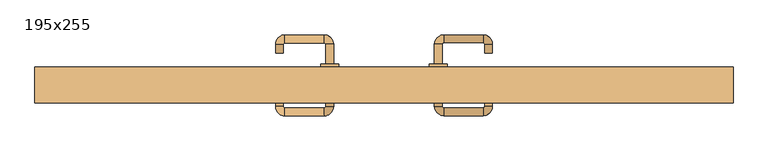
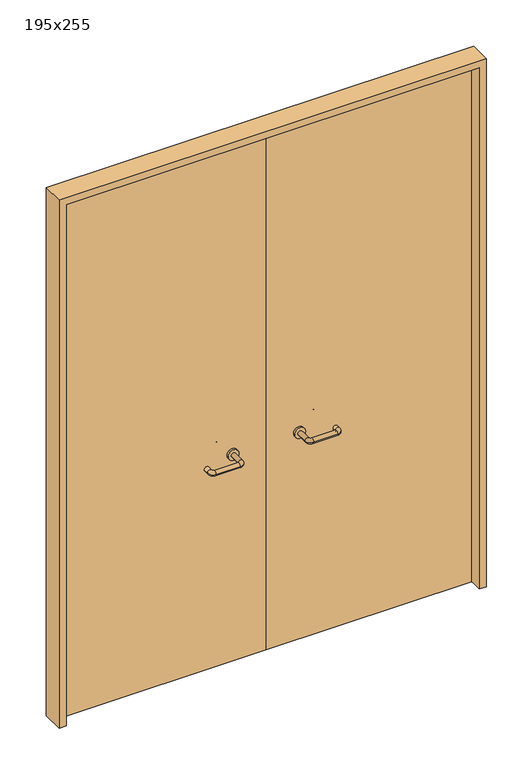
"""IFC4 building model written with IfcOpenShell, lengths in millimetres: door geometry, 195x255."""

from ifc_helpers import new_model, si_unit, point, frame, frame_2d, origin, place, context, project, spatial, polyline, circle_curve, ellipse_curve, trimmed, segment, composite_curve, outline, extrude, source, transform, mapped, element, save
from ifc_brep_helpers import plane_surface, cylinder_surface, revolved_surface, advanced_brep


def door_195x255_3ec5ba21(model_context):
    return source(origin(), model_context, "Body", "SolidModel", [
        extrude(outline(polyline([(2550.0, -975.0), (0.0, -975.0), (0.0, -943.0), (2518.0, -943.0), (2518.0, 943.0), (0.0, 943.0), (0.0, 975.0), (2550.0, 975.0), (2550.0, -975.0)])), frame((0.0, 100.0, 0.0), z_axis=(0.0, 1.0, 0.0), x_axis=(0.0, 0.0, 1.0)), (0.0, 0.0, 1.0), 100.0),
        advanced_brep(
        [(140.99898, 146.0, 1003.0), (162.99898, 146.0, 1003.0), (140.99898, 90.6474631, 1003.0), (162.99898, 90.6474631, 1003.0), (166.99898, 86.6474631, 1003.0), (166.99898, 64.6474631, 1003.0), (276.99898, 64.6474631, 1003.0), (276.99898, 86.6474631, 1003.0), (280.99898, 90.6474631, 1003.0), (302.99898, 90.6474631, 1003.0), (302.99898, 108.0, 1003.0), (280.99898, 108.0, 1003.0)],
        [
            (0, 1, circle_curve(frame((151.99898, 146.0, 1003.0), z_axis=(0.0, 1.0, 0.0), x_axis=(1.0, 0.0, 0.0)), 11.0)),
            (1, 0, circle_curve(frame((151.99898, 146.0, 1003.0), z_axis=(0.0, 1.0, 0.0), x_axis=(1.0, 0.0, 0.0)), 11.0)),
            (0, 2),
            (2, 3, circle_curve(frame((151.99898, 90.6474631, 1003.0), z_axis=(0.0, 1.0, 0.0), x_axis=(1.0, 0.0, 0.0)), 11.0)),
            (3, 1),
            (3, 2, circle_curve(frame((151.99898, 90.6474631, 1003.0), z_axis=(0.0, 1.0, 0.0), x_axis=(1.0, 0.0, 0.0)), 11.0)),
            (4, 3, circle_curve(frame((166.99898, 90.6474631, 1003.0), z_axis=(0.0, 0.0, -1.0), x_axis=(-1.0, 0.0, 0.0)), 4.0)),
            (2, 5, circle_curve(frame((166.99898, 90.6474631, 1003.0), z_axis=(0.0, 0.0, 1.0), x_axis=(-1.0, 0.0, 0.0)), 26.0)),
            (5, 4, circle_curve(frame((166.99898, 75.6474631, 1003.0), z_axis=(-1.0, 0.0, 0.0), x_axis=(0.0, 1.0, 0.0)), 11.0)),
            (4, 5, circle_curve(frame((166.99898, 75.6474631, 1003.0), z_axis=(-1.0, 0.0, 0.0), x_axis=(0.0, 1.0, 0.0)), 11.0)),
            (5, 6),
            (6, 7, circle_curve(frame((276.99898, 75.6474631, 1003.0), z_axis=(-1.0, 0.0, 0.0), x_axis=(0.0, 1.0, 0.0)), 11.0)),
            (7, 4),
            (7, 6, circle_curve(frame((276.99898, 75.6474631, 1003.0), z_axis=(-1.0, 0.0, 0.0), x_axis=(0.0, 1.0, 0.0)), 11.0)),
            (8, 7, circle_curve(frame((276.99898, 90.6474631, 1003.0), z_axis=(0.0, 0.0, -1.0), x_axis=(0.0, -1.0, 0.0)), 4.0)),
            (6, 9, circle_curve(frame((276.99898, 90.6474631, 1003.0), z_axis=(0.0, 0.0, 1.0), x_axis=(0.0, -1.0, 0.0)), 26.0)),
            (9, 8, circle_curve(frame((291.99898, 90.6474631, 1003.0), z_axis=(0.0, -1.0, 0.0), x_axis=(-1.0, 0.0, 0.0)), 11.0)),
            (8, 9, circle_curve(frame((291.99898, 90.6474631, 1003.0), z_axis=(0.0, -1.0, 0.0), x_axis=(-1.0, 0.0, 0.0)), 11.0)),
            (10, 11, circle_curve(frame((291.99898, 108.0, 1003.0), z_axis=(0.0, 1.0, 0.0), x_axis=(-1.0, 0.0, 0.0)), 11.0)),
            (11, 10, circle_curve(frame((291.99898, 108.0, 1003.0), z_axis=(0.0, 1.0, 0.0), x_axis=(-1.0, 0.0, 0.0)), 11.0)),
            (9, 10),
            (11, 8),
        ],
        [
            plane_surface(frame((140.99898, 146.0, 1003.0), z_axis=(0.0, 1.0, 0.0), x_axis=(0.0, 0.0, -1.0))),
            cylinder_surface(frame((151.99898, 146.0, 1003.0), z_axis=(0.0, 1.0, 0.0), x_axis=(1.0, 0.0, 0.0)), 11.0),
            revolved_surface(trimmed(ellipse_curve(frame((151.99898, 90.6474631, 1003.0), z_axis=(0.0, 1.0, 0.0), x_axis=(1.0, 0.0, 0.0)), 11.0, 11.0), [point((140.99898, 90.6474631, 1003.0))], [point((162.99898, 90.6474631, 1003.0))], True, "CARTESIAN"), (166.99898, 90.6474631, 1003.0), (0.0, 0.0, 1.0)),
            revolved_surface(trimmed(ellipse_curve(frame((151.99898, 90.6474631, 1003.0), z_axis=(0.0, 1.0, 0.0), x_axis=(1.0, 0.0, 0.0)), 11.0, 11.0), [point((162.99898, 90.6474631, 1003.0))], [point((140.99898, 90.6474631, 1003.0))], True, "CARTESIAN"), (166.99898, 90.6474631, 1003.0), (0.0, 0.0, 1.0)),
            cylinder_surface(frame((166.99898, 75.6474631, 1003.0), z_axis=(-1.0, 0.0, 0.0), x_axis=(0.0, 1.0, 0.0)), 11.0),
            revolved_surface(trimmed(ellipse_curve(frame((276.99898, 75.6474631, 1003.0), z_axis=(-1.0, 0.0, 0.0), x_axis=(0.0, 1.0, 0.0)), 11.0, 11.0), [point((276.99898, 64.6474631, 1003.0))], [point((276.99898, 86.6474631, 1003.0))], True, "CARTESIAN"), (276.99898, 90.6474631, 1003.0), (0.0, 0.0, 1.0)),
            revolved_surface(trimmed(ellipse_curve(frame((276.99898, 75.6474631, 1003.0), z_axis=(-1.0, 0.0, 0.0), x_axis=(0.0, 1.0, 0.0)), 11.0, 11.0), [point((276.99898, 86.6474631, 1003.0))], [point((276.99898, 64.6474631, 1003.0))], True, "CARTESIAN"), (276.99898, 90.6474631, 1003.0), (0.0, 0.0, 1.0)),
            plane_surface(frame((280.99898, 108.0, 1003.0), z_axis=(0.0, 1.0, 0.0), x_axis=(0.0, 0.0, 1.0))),
            cylinder_surface(frame((291.99898, 90.6474631, 1003.0), z_axis=(0.0, -1.0, 0.0), x_axis=(-1.0, 0.0, 0.0)), 11.0),
        ],
        [
            (0, [[1, 2]]),
            (1, [[-1, 3, 4, 5]]),
            (1, [[-2, -5, 6, -3]]),
            (2, [[7, -4, 8, 9]]),
            (3, [[-8, -6, -7, 10]]),
            (4, [[-9, 11, 12, 13]]),
            (4, [[-10, -13, 14, -11]]),
            (5, [[15, -12, 16, 17]]),
            (6, [[-16, -14, -15, 18]]),
            (7, [[19, 20]]),
            (8, [[-17, 21, -20, 22]]),
            (8, [[-18, -22, -19, -21]]),
        ],
    ),
        extrude(outline(composite_curve([segment(trimmed(circle_curve(frame_2d((1003.0, 151.99898)), 25.0), [point((1003.0, 126.99898))], [point((1003.0, 176.99898))], False, "CARTESIAN"), True, "CONTINUOUS"), segment(trimmed(circle_curve(frame_2d((1003.0, 151.99898)), 25.0), [point((1003.0, 176.99898))], [point((1003.0, 126.99898))], False, "CARTESIAN"), True, "CONTINUOUS")], self_intersect=False)), frame((0.0, 146.0, 0.0), z_axis=(0.0, 1.0, 0.0), x_axis=(0.0, 0.0, 1.0)), (0.0, 0.0, 1.0), 10.0),
        advanced_brep(
        [(162.99898, 210.0, 1003.0), (140.99898, 210.0, 1003.0), (162.99898, 265.0, 1003.0), (140.99898, 265.0, 1003.0), (166.99898, 291.0, 1003.0), (166.99898, 269.0, 1003.0), (276.99898, 269.0, 1003.0), (276.99898, 291.0, 1003.0), (302.99898, 265.0, 1003.0), (280.99898, 265.0, 1003.0), (280.99898, 240.0, 1003.0), (302.99898, 240.0, 1003.0)],
        [
            (0, 1, circle_curve(frame((151.99898, 210.0, 1003.0), z_axis=(0.0, -1.0, 0.0), x_axis=(-1.0, 0.0, 0.0)), 11.0)),
            (1, 0, circle_curve(frame((151.99898, 210.0, 1003.0), z_axis=(0.0, -1.0, 0.0), x_axis=(-1.0, 0.0, 0.0)), 11.0)),
            (0, 2),
            (2, 3, circle_curve(frame((151.99898, 265.0, 1003.0), z_axis=(0.0, -1.0, 0.0), x_axis=(-1.0, 0.0, 0.0)), 11.0)),
            (3, 1),
            (3, 2, circle_curve(frame((151.99898, 265.0, 1003.0), z_axis=(0.0, -1.0, 0.0), x_axis=(-1.0, 0.0, 0.0)), 11.0)),
            (4, 3, circle_curve(frame((166.99898, 265.0, 1003.0), z_axis=(0.0, 0.0, 1.0), x_axis=(-1.0, 0.0, 0.0)), 26.0)),
            (2, 5, circle_curve(frame((166.99898, 265.0, 1003.0), z_axis=(0.0, 0.0, -1.0), x_axis=(-1.0, 0.0, 0.0)), 4.0)),
            (5, 4, circle_curve(frame((166.99898, 280.0, 1003.0), z_axis=(-1.0, 0.0, 0.0), x_axis=(0.0, 1.0, 0.0)), 11.0)),
            (4, 5, circle_curve(frame((166.99898, 280.0, 1003.0), z_axis=(-1.0, 0.0, 0.0), x_axis=(0.0, 1.0, 0.0)), 11.0)),
            (5, 6),
            (6, 7, circle_curve(frame((276.99898, 280.0, 1003.0), z_axis=(-1.0, 0.0, 0.0), x_axis=(0.0, 1.0, 0.0)), 11.0)),
            (7, 4),
            (7, 6, circle_curve(frame((276.99898, 280.0, 1003.0), z_axis=(-1.0, 0.0, 0.0), x_axis=(0.0, 1.0, 0.0)), 11.0)),
            (8, 7, circle_curve(frame((276.99898, 265.0, 1003.0), z_axis=(0.0, 0.0, 1.0), x_axis=(0.0, 1.0, 0.0)), 26.0)),
            (6, 9, circle_curve(frame((276.99898, 265.0, 1003.0), z_axis=(0.0, 0.0, -1.0), x_axis=(0.0, 1.0, 0.0)), 4.0)),
            (9, 8, circle_curve(frame((291.99898, 265.0, 1003.0), z_axis=(0.0, 1.0, 0.0), x_axis=(1.0, 0.0, 0.0)), 11.0)),
            (8, 9, circle_curve(frame((291.99898, 265.0, 1003.0), z_axis=(0.0, 1.0, 0.0), x_axis=(1.0, 0.0, 0.0)), 11.0)),
            (10, 11, circle_curve(frame((291.99898, 240.0, 1003.0), z_axis=(0.0, -1.0, 0.0), x_axis=(1.0, 0.0, 0.0)), 11.0)),
            (11, 10, circle_curve(frame((291.99898, 240.0, 1003.0), z_axis=(0.0, -1.0, 0.0), x_axis=(1.0, 0.0, 0.0)), 11.0)),
            (9, 10),
            (11, 8),
        ],
        [
            plane_surface(frame((140.99898, 210.0, 1003.0), z_axis=(0.0, -1.0, 0.0), x_axis=(0.0, 0.0, 1.0))),
            cylinder_surface(frame((151.99898, 210.0, 1003.0), z_axis=(0.0, -1.0, 0.0), x_axis=(-1.0, 0.0, 0.0)), 11.0),
            revolved_surface(trimmed(ellipse_curve(frame((151.99898, 265.0, 1003.0), z_axis=(0.0, -1.0, 0.0), x_axis=(-1.0, 0.0, 0.0)), 11.0, 11.0), [point((162.99898, 265.0, 1003.0))], [point((140.99898, 265.0, 1003.0))], True, "CARTESIAN"), (166.99898, 265.0, 1003.0), (0.0, 0.0, -1.0)),
            revolved_surface(trimmed(ellipse_curve(frame((151.99898, 265.0, 1003.0), z_axis=(0.0, -1.0, 0.0), x_axis=(-1.0, 0.0, 0.0)), 11.0, 11.0), [point((140.99898, 265.0, 1003.0))], [point((162.99898, 265.0, 1003.0))], True, "CARTESIAN"), (166.99898, 265.0, 1003.0), (0.0, 0.0, -1.0)),
            cylinder_surface(frame((166.99898, 280.0, 1003.0), z_axis=(-1.0, 0.0, 0.0), x_axis=(0.0, 1.0, 0.0)), 11.0),
            revolved_surface(trimmed(ellipse_curve(frame((276.99898, 280.0, 1003.0), z_axis=(-1.0, 0.0, 0.0), x_axis=(0.0, 1.0, 0.0)), 11.0, 11.0), [point((276.99898, 269.0, 1003.0))], [point((276.99898, 291.0, 1003.0))], True, "CARTESIAN"), (276.99898, 265.0, 1003.0), (0.0, 0.0, -1.0)),
            revolved_surface(trimmed(ellipse_curve(frame((276.99898, 280.0, 1003.0), z_axis=(-1.0, 0.0, 0.0), x_axis=(0.0, 1.0, 0.0)), 11.0, 11.0), [point((276.99898, 291.0, 1003.0))], [point((276.99898, 269.0, 1003.0))], True, "CARTESIAN"), (276.99898, 265.0, 1003.0), (0.0, 0.0, -1.0)),
            plane_surface(frame((280.99898, 240.0, 1003.0), z_axis=(0.0, -1.0, 0.0), x_axis=(0.0, 0.0, -1.0))),
            cylinder_surface(frame((291.99898, 265.0, 1003.0), z_axis=(0.0, 1.0, 0.0), x_axis=(1.0, 0.0, 0.0)), 11.0),
        ],
        [
            (0, [[1, 2]]),
            (1, [[-1, 3, 4, 5]]),
            (1, [[-2, -5, 6, -3]]),
            (2, [[7, -4, 8, 9]]),
            (3, [[-8, -6, -7, 10]]),
            (4, [[-9, 11, 12, 13]]),
            (4, [[-10, -13, 14, -11]]),
            (5, [[15, -12, 16, 17]]),
            (6, [[-16, -14, -15, 18]]),
            (7, [[19, 20]]),
            (8, [[-17, 21, -20, 22]]),
            (8, [[-18, -22, -19, -21]]),
        ],
    ),
        extrude(outline(composite_curve([segment(trimmed(circle_curve(frame_2d((1003.0, 151.99898)), 25.0), [point((1003.0, 176.99898))], [point((1003.0, 126.99898))], False, "CARTESIAN"), True, "CONTINUOUS"), segment(trimmed(circle_curve(frame_2d((1003.0, 151.99898)), 25.0), [point((1003.0, 126.99898))], [point((1003.0, 176.99898))], False, "CARTESIAN"), True, "CONTINUOUS")], self_intersect=False)), frame((0.0, 200.0, 0.0), z_axis=(0.0, 1.0, 0.0), x_axis=(0.0, 0.0, 1.0)), (0.0, 0.0, 1.0), 10.0),
        advanced_brep(
        [(-162.99898, 145.6886121, 1003.0), (-140.99898, 145.6886121, 1003.0), (-162.99898, 90.2779553, 1003.0), (-140.99898, 90.2779553, 1003.0), (-166.99898, 64.2779553, 1003.0), (-166.99898, 86.2779553, 1003.0), (-276.99898, 86.2779553, 1003.0), (-276.99898, 64.2779553, 1003.0), (-302.99898, 90.2779553, 1003.0), (-280.99898, 90.2779553, 1003.0), (-280.99898, 115.2779553, 1003.0), (-302.99898, 115.2779553, 1003.0)],
        [
            (0, 1, circle_curve(frame((-151.99898, 145.6886121, 1003.0), z_axis=(0.0, 1.0, 0.0), x_axis=(1.0, 0.0, 0.0)), 11.0)),
            (1, 0, circle_curve(frame((-151.99898, 145.6886121, 1003.0), z_axis=(0.0, 1.0, 0.0), x_axis=(1.0, 0.0, 0.0)), 11.0)),
            (0, 2),
            (2, 3, circle_curve(frame((-151.99898, 90.2779553, 1003.0), z_axis=(0.0, 1.0, 0.0), x_axis=(1.0, 0.0, 0.0)), 11.0)),
            (3, 1),
            (3, 2, circle_curve(frame((-151.99898, 90.2779553, 1003.0), z_axis=(0.0, 1.0, 0.0), x_axis=(1.0, 0.0, 0.0)), 11.0)),
            (4, 3, circle_curve(frame((-166.99898, 90.2779553, 1003.0), z_axis=(0.0, 0.0, 1.0), x_axis=(1.0, 0.0, 0.0)), 26.0)),
            (2, 5, circle_curve(frame((-166.99898, 90.2779553, 1003.0), z_axis=(0.0, 0.0, -1.0), x_axis=(1.0, 0.0, 0.0)), 4.0)),
            (5, 4, circle_curve(frame((-166.99898, 75.2779553, 1003.0), z_axis=(1.0, 0.0, 0.0), x_axis=(0.0, -1.0, 0.0)), 11.0)),
            (4, 5, circle_curve(frame((-166.99898, 75.2779553, 1003.0), z_axis=(1.0, 0.0, 0.0), x_axis=(0.0, -1.0, 0.0)), 11.0)),
            (5, 6),
            (6, 7, circle_curve(frame((-276.99898, 75.2779553, 1003.0), z_axis=(1.0, 0.0, 0.0), x_axis=(0.0, -1.0, 0.0)), 11.0)),
            (7, 4),
            (7, 6, circle_curve(frame((-276.99898, 75.2779553, 1003.0), z_axis=(1.0, 0.0, 0.0), x_axis=(0.0, -1.0, 0.0)), 11.0)),
            (8, 7, circle_curve(frame((-276.99898, 90.2779553, 1003.0), z_axis=(0.0, 0.0, 1.0), x_axis=(0.0, -1.0, 0.0)), 26.0)),
            (6, 9, circle_curve(frame((-276.99898, 90.2779553, 1003.0), z_axis=(0.0, 0.0, -1.0), x_axis=(0.0, -1.0, 0.0)), 4.0)),
            (9, 8, circle_curve(frame((-291.99898, 90.2779553, 1003.0), z_axis=(0.0, -1.0, 0.0), x_axis=(-1.0, 0.0, 0.0)), 11.0)),
            (8, 9, circle_curve(frame((-291.99898, 90.2779553, 1003.0), z_axis=(0.0, -1.0, 0.0), x_axis=(-1.0, 0.0, 0.0)), 11.0)),
            (10, 11, circle_curve(frame((-291.99898, 115.2779553, 1003.0), z_axis=(0.0, 1.0, 0.0), x_axis=(-1.0, 0.0, 0.0)), 11.0)),
            (11, 10, circle_curve(frame((-291.99898, 115.2779553, 1003.0), z_axis=(0.0, 1.0, 0.0), x_axis=(-1.0, 0.0, 0.0)), 11.0)),
            (9, 10),
            (11, 8),
        ],
        [
            plane_surface(frame((-162.99898, 145.6886121, 1003.0), z_axis=(0.0, 1.0, 0.0), x_axis=(0.0, 0.0, -1.0))),
            cylinder_surface(frame((-151.99898, 145.6886121, 1003.0), z_axis=(0.0, 1.0, 0.0), x_axis=(1.0, 0.0, 0.0)), 11.0),
            revolved_surface(trimmed(ellipse_curve(frame((-151.99898, 90.2779553, 1003.0), z_axis=(0.0, 1.0, 0.0), x_axis=(1.0, 0.0, 0.0)), 11.0, 11.0), [point((-162.99898, 90.2779553, 1003.0))], [point((-140.99898, 90.2779553, 1003.0))], True, "CARTESIAN"), (-166.99898, 90.2779553, 1003.0), (0.0, 0.0, -1.0)),
            revolved_surface(trimmed(ellipse_curve(frame((-151.99898, 90.2779553, 1003.0), z_axis=(0.0, 1.0, 0.0), x_axis=(1.0, 0.0, 0.0)), 11.0, 11.0), [point((-140.99898, 90.2779553, 1003.0))], [point((-162.99898, 90.2779553, 1003.0))], True, "CARTESIAN"), (-166.99898, 90.2779553, 1003.0), (0.0, 0.0, -1.0)),
            cylinder_surface(frame((-166.99898, 75.2779553, 1003.0), z_axis=(1.0, 0.0, 0.0), x_axis=(0.0, -1.0, 0.0)), 11.0),
            revolved_surface(trimmed(ellipse_curve(frame((-276.99898, 75.2779553, 1003.0), z_axis=(1.0, 0.0, 0.0), x_axis=(0.0, -1.0, 0.0)), 11.0, 11.0), [point((-276.99898, 86.2779553, 1003.0))], [point((-276.99898, 64.2779553, 1003.0))], True, "CARTESIAN"), (-276.99898, 90.2779553, 1003.0), (0.0, 0.0, -1.0)),
            revolved_surface(trimmed(ellipse_curve(frame((-276.99898, 75.2779553, 1003.0), z_axis=(1.0, 0.0, 0.0), x_axis=(0.0, -1.0, 0.0)), 11.0, 11.0), [point((-276.99898, 64.2779553, 1003.0))], [point((-276.99898, 86.2779553, 1003.0))], True, "CARTESIAN"), (-276.99898, 90.2779553, 1003.0), (0.0, 0.0, -1.0)),
            plane_surface(frame((-302.99898, 115.2779553, 1003.0), z_axis=(0.0, 1.0, 0.0), x_axis=(0.0, 0.0, 1.0))),
            cylinder_surface(frame((-291.99898, 90.2779553, 1003.0), z_axis=(0.0, -1.0, 0.0), x_axis=(-1.0, 0.0, 0.0)), 11.0),
        ],
        [
            (0, [[1, 2]]),
            (1, [[-1, 3, 4, 5]]),
            (1, [[-2, -5, 6, -3]]),
            (2, [[7, -4, 8, 9]]),
            (3, [[-8, -6, -7, 10]]),
            (4, [[-9, 11, 12, 13]]),
            (4, [[-10, -13, 14, -11]]),
            (5, [[15, -12, 16, 17]]),
            (6, [[-16, -14, -15, 18]]),
            (7, [[19, 20]]),
            (8, [[-17, 21, -20, 22]]),
            (8, [[-18, -22, -19, -21]]),
        ],
    ),
        extrude(outline(composite_curve([segment(trimmed(circle_curve(frame_2d((1003.0, -151.99898)), 25.0), [point((1003.0, -176.99898))], [point((1003.0, -126.99898))], False, "CARTESIAN"), True, "CONTINUOUS"), segment(trimmed(circle_curve(frame_2d((1003.0, -151.99898)), 25.0), [point((1003.0, -126.99898))], [point((1003.0, -176.99898))], False, "CARTESIAN"), True, "CONTINUOUS")], self_intersect=False)), frame((0.0, 145.6886121, 0.0), z_axis=(0.0, 1.0, 0.0), x_axis=(0.0, 0.0, 1.0)), (0.0, 0.0, 1.0), 10.3113879),
        advanced_brep(
        [(-140.99898, 209.5143417, 1003.0), (-162.99898, 209.5143417, 1003.0), (-140.99898, 264.6104656, 1003.0), (-162.99898, 264.6104656, 1003.0), (-166.99898, 268.6104656, 1003.0), (-166.99898, 290.6104656, 1003.0), (-276.99898, 290.6104656, 1003.0), (-276.99898, 268.6104656, 1003.0), (-280.99898, 264.6104656, 1003.0), (-302.99898, 264.6104656, 1003.0), (-302.99898, 239.6104656, 1003.0), (-280.99898, 239.6104656, 1003.0)],
        [
            (0, 1, circle_curve(frame((-151.99898, 209.5143417, 1003.0), z_axis=(0.0, -1.0, 0.0), x_axis=(-1.0, 0.0, 0.0)), 11.0)),
            (1, 0, circle_curve(frame((-151.99898, 209.5143417, 1003.0), z_axis=(0.0, -1.0, 0.0), x_axis=(-1.0, 0.0, 0.0)), 11.0)),
            (0, 2),
            (2, 3, circle_curve(frame((-151.99898, 264.6104656, 1003.0), z_axis=(0.0, -1.0, 0.0), x_axis=(-1.0, 0.0, 0.0)), 11.0)),
            (3, 1),
            (3, 2, circle_curve(frame((-151.99898, 264.6104656, 1003.0), z_axis=(0.0, -1.0, 0.0), x_axis=(-1.0, 0.0, 0.0)), 11.0)),
            (4, 3, circle_curve(frame((-166.99898, 264.6104656, 1003.0), z_axis=(0.0, 0.0, -1.0), x_axis=(1.0, 0.0, 0.0)), 4.0)),
            (2, 5, circle_curve(frame((-166.99898, 264.6104656, 1003.0), z_axis=(0.0, 0.0, 1.0), x_axis=(1.0, 0.0, 0.0)), 26.0)),
            (5, 4, circle_curve(frame((-166.99898, 279.6104656, 1003.0), z_axis=(1.0, 0.0, 0.0), x_axis=(0.0, -1.0, 0.0)), 11.0)),
            (4, 5, circle_curve(frame((-166.99898, 279.6104656, 1003.0), z_axis=(1.0, 0.0, 0.0), x_axis=(0.0, -1.0, 0.0)), 11.0)),
            (5, 6),
            (6, 7, circle_curve(frame((-276.99898, 279.6104656, 1003.0), z_axis=(1.0, 0.0, 0.0), x_axis=(0.0, -1.0, 0.0)), 11.0)),
            (7, 4),
            (7, 6, circle_curve(frame((-276.99898, 279.6104656, 1003.0), z_axis=(1.0, 0.0, 0.0), x_axis=(0.0, -1.0, 0.0)), 11.0)),
            (8, 7, circle_curve(frame((-276.99898, 264.6104656, 1003.0), z_axis=(0.0, 0.0, -1.0), x_axis=(0.0, 1.0, 0.0)), 4.0)),
            (6, 9, circle_curve(frame((-276.99898, 264.6104656, 1003.0), z_axis=(0.0, 0.0, 1.0), x_axis=(0.0, 1.0, 0.0)), 26.0)),
            (9, 8, circle_curve(frame((-291.99898, 264.6104656, 1003.0), z_axis=(0.0, 1.0, 0.0), x_axis=(1.0, 0.0, 0.0)), 11.0)),
            (8, 9, circle_curve(frame((-291.99898, 264.6104656, 1003.0), z_axis=(0.0, 1.0, 0.0), x_axis=(1.0, 0.0, 0.0)), 11.0)),
            (10, 11, circle_curve(frame((-291.99898, 239.6104656, 1003.0), z_axis=(0.0, -1.0, 0.0), x_axis=(1.0, 0.0, 0.0)), 11.0)),
            (11, 10, circle_curve(frame((-291.99898, 239.6104656, 1003.0), z_axis=(0.0, -1.0, 0.0), x_axis=(1.0, 0.0, 0.0)), 11.0)),
            (9, 10),
            (11, 8),
        ],
        [
            plane_surface(frame((-162.99898, 209.5143417, 1003.0), z_axis=(0.0, -1.0, 0.0), x_axis=(0.0, 0.0, 1.0))),
            cylinder_surface(frame((-151.99898, 209.5143417, 1003.0), z_axis=(0.0, -1.0, 0.0), x_axis=(-1.0, 0.0, 0.0)), 11.0),
            revolved_surface(trimmed(ellipse_curve(frame((-151.99898, 264.6104656, 1003.0), z_axis=(0.0, -1.0, 0.0), x_axis=(-1.0, 0.0, 0.0)), 11.0, 11.0), [point((-140.99898, 264.6104656, 1003.0))], [point((-162.99898, 264.6104656, 1003.0))], True, "CARTESIAN"), (-166.99898, 264.6104656, 1003.0), (0.0, 0.0, 1.0)),
            revolved_surface(trimmed(ellipse_curve(frame((-151.99898, 264.6104656, 1003.0), z_axis=(0.0, -1.0, 0.0), x_axis=(-1.0, 0.0, 0.0)), 11.0, 11.0), [point((-162.99898, 264.6104656, 1003.0))], [point((-140.99898, 264.6104656, 1003.0))], True, "CARTESIAN"), (-166.99898, 264.6104656, 1003.0), (0.0, 0.0, 1.0)),
            cylinder_surface(frame((-166.99898, 279.6104656, 1003.0), z_axis=(1.0, 0.0, 0.0), x_axis=(0.0, -1.0, 0.0)), 11.0),
            revolved_surface(trimmed(ellipse_curve(frame((-276.99898, 279.6104656, 1003.0), z_axis=(1.0, 0.0, 0.0), x_axis=(0.0, -1.0, 0.0)), 11.0, 11.0), [point((-276.99898, 290.6104656, 1003.0))], [point((-276.99898, 268.6104656, 1003.0))], True, "CARTESIAN"), (-276.99898, 264.6104656, 1003.0), (0.0, 0.0, 1.0)),
            revolved_surface(trimmed(ellipse_curve(frame((-276.99898, 279.6104656, 1003.0), z_axis=(1.0, 0.0, 0.0), x_axis=(0.0, -1.0, 0.0)), 11.0, 11.0), [point((-276.99898, 268.6104656, 1003.0))], [point((-276.99898, 290.6104656, 1003.0))], True, "CARTESIAN"), (-276.99898, 264.6104656, 1003.0), (0.0, 0.0, 1.0)),
            plane_surface(frame((-302.99898, 239.6104656, 1003.0), z_axis=(0.0, -1.0, 0.0), x_axis=(0.0, 0.0, -1.0))),
            cylinder_surface(frame((-291.99898, 264.6104656, 1003.0), z_axis=(0.0, 1.0, 0.0), x_axis=(1.0, 0.0, 0.0)), 11.0),
        ],
        [
            (0, [[1, 2]]),
            (1, [[-1, 3, 4, 5]]),
            (1, [[-2, -5, 6, -3]]),
            (2, [[7, -4, 8, 9]]),
            (3, [[-8, -6, -7, 10]]),
            (4, [[-9, 11, 12, 13]]),
            (4, [[-10, -13, 14, -11]]),
            (5, [[15, -12, 16, 17]]),
            (6, [[-16, -14, -15, 18]]),
            (7, [[19, 20]]),
            (8, [[-17, 21, -20, 22]]),
            (8, [[-18, -22, -19, -21]]),
        ],
    ),
        extrude(outline(composite_curve([segment(trimmed(circle_curve(frame_2d((1003.0, -151.99898)), 25.0), [point((1003.0, -126.99898))], [point((1003.0, -176.99898))], False, "CARTESIAN"), True, "CONTINUOUS"), segment(trimmed(circle_curve(frame_2d((1003.0, -151.99898)), 25.0), [point((1003.0, -176.99898))], [point((1003.0, -126.99898))], False, "CARTESIAN"), True, "CONTINUOUS")], self_intersect=False)), frame((0.0, 200.0, 0.0), z_axis=(0.0, 1.0, 0.0), x_axis=(0.0, 0.0, 1.0)), (0.0, 0.0, 1.0), 9.5143417),
        extrude(outline(polyline([(1.0739506, 156.0), (-940.0, 156.0), (-940.0, 200.0), (1.0739506, 200.0), (1.0739506, 156.0)])), frame((0.0, 0.0, 1.753223), z_axis=(0.0, 0.0, 1.0), x_axis=(1.0, 0.0, 0.0)), (0.0, 0.0, 1.0), 2516.246777),
        extrude(outline(polyline([(940.0, 156.0), (1.0739506, 156.0), (1.0739506, 200.0), (940.0, 200.0), (940.0, 156.0)])), frame((0.0, 0.0, 1.753223), z_axis=(0.0, 0.0, 1.0), x_axis=(1.0, 0.0, 0.0)), (0.0, 0.0, 1.0), 2516.246777),
    ])


if __name__ == "__main__":
    model = new_model("IFC4")
    model_context = context("Model", 3, world=origin())
    ifc_project = project(units=[si_unit("LENGTHUNIT", "METRE", prefix="MILLI")], contexts=[model_context])
    site = spatial("IfcSite", under=ifc_project)
    building = spatial("IfcBuilding", under=site)
    placement = place(None, origin())
    door_195x255_shape = door_195x255_3ec5ba21(model_context)
    element("IfcDoor", 1, ObjectType="195x255", at=placement, inside=building, context=model_context, shape_type="MappedRepresentation", body=[
        mapped(door_195x255_shape, transform((0.0, 0.0, 0.0), x_axis=(1.0, 0.0, 0.0), y_axis=(0.0, 1.0, 0.0), z_axis=(0.0, 0.0, 1.0))),
    ])
    save(model, "model.ifc")
